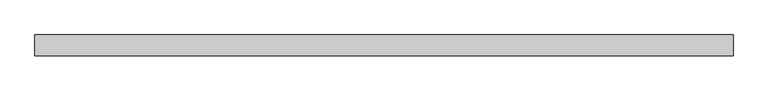
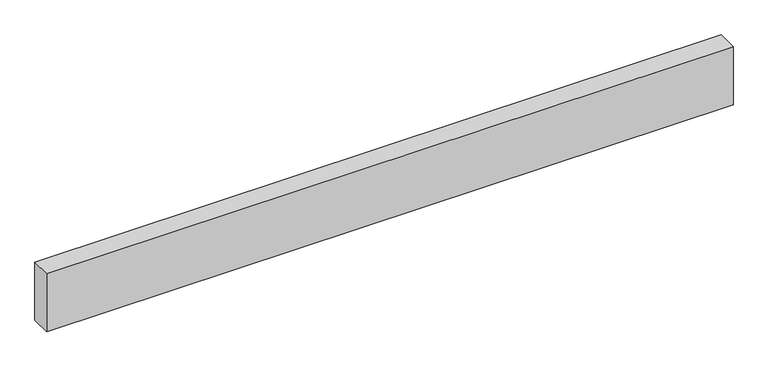
"""IFC4 building model written with IfcOpenShell, lengths in millimetres: proxy geometry."""

from ifc_helpers import new_model, si_unit, origin, origin_with_axes, place, context, project, spatial, polyline, outline, extrude, source, transform, mapped, element, save


def generic_models_8410551c(model_context):
    return source(origin(), model_context, "Body", "SweptSolid", [
        extrude(outline(polyline([(3358.6165114, 0.0), (3358.6165114, -100.0), (0.0, -100.0), (0.0, 0.0), (3358.6165114, 0.0)])), origin_with_axes(), (0.0, 0.0, 1.0), 300.0),
    ])


if __name__ == "__main__":
    model = new_model("IFC4")
    model_context = context("Model", 3, world=origin())
    ifc_project = project(units=[si_unit("LENGTHUNIT", "METRE", prefix="MILLI")], contexts=[model_context])
    site = spatial("IfcSite", under=ifc_project)
    building = spatial("IfcBuilding", under=site)
    placement = place(None, origin())
    generic_models_shape = generic_models_8410551c(model_context)
    element("IfcBuildingElementProxy", 1, Name="Generic Models", at=placement, inside=building, context=model_context, shape_type="MappedRepresentation", body=[
        mapped(generic_models_shape, transform((0.0, 0.0, 0.0), x_axis=(1.0, 0.0, 0.0), y_axis=(0.0, 1.0, 0.0), z_axis=(0.0, 0.0, 1.0))),
    ])
    save(model, "model.ifc")
